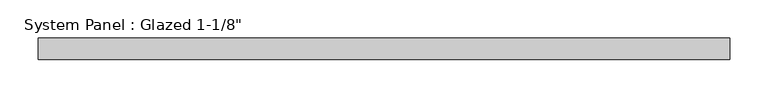
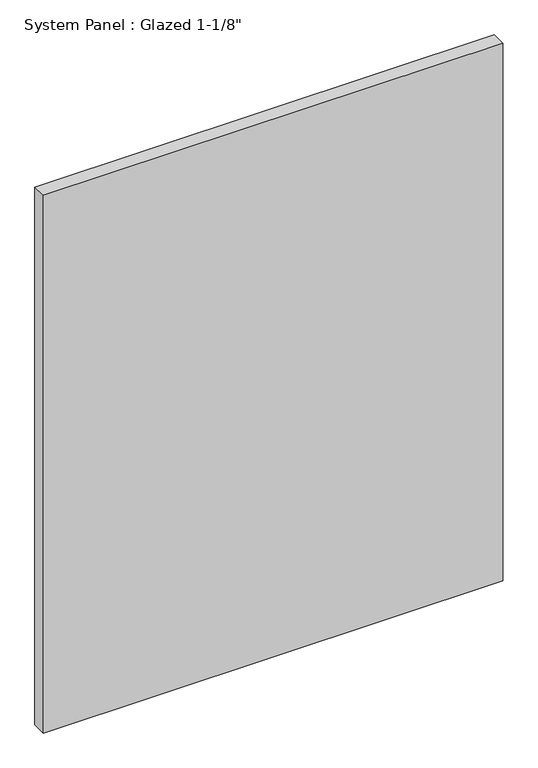
"""IFC4 building model written with IfcOpenShell, lengths in millimetres: plate geometry."""

import ifcopenshell
import ifcopenshell.guid

model = None  # the IFC model being written
_history = None  # IfcOwnerHistory: only IFC2X3 demands one
_inside = {}  # id of a spatial element -> (the spatial element, [elements in it])
_under = {}  # id of a project, library or spatial element -> (it, [spatial elements below it])
_declared = {}  # id of a project -> (the project, [libraries it declares])
_typed = {}  # id of a type object -> (the type object, [elements of that type])
_made_of = {}  # id of a material, layer set ... -> (it, [elements and type objects made of it])


def new_model(schema):
    """Start an empty IFC model of exactly this schema.

    Asked for "IFC4X3", IfcOpenShell would pick the latest addendum, in which some entities
    have other attributes; the version numbers below select the first issue.
    IFC2X3 requires an IfcOwnerHistory on every rooted entity: one is made here for all.
    """
    global model, _history
    if schema == "IFC4X3":
        model = ifcopenshell.file(schema_version=(4, 3, 0, 0))
    else:
        model = ifcopenshell.file(schema=schema)
    _inside.clear()
    _under.clear()
    _declared.clear()
    _typed.clear()
    _made_of.clear()
    _history = None
    if model.schema == "IFC2X3":
        org = make("IfcOrganization", Name="unknown")
        user = make(
            "IfcPersonAndOrganization",
            ThePerson=make("IfcPerson", FamilyName="unknown"),
            TheOrganization=org,
        )
        app = make(
            "IfcApplication",
            ApplicationDeveloper=org,
            Version="unknown",
            ApplicationFullName="unknown",
            ApplicationIdentifier="unknown",
        )
        _history = make(
            "IfcOwnerHistory",
            OwningUser=user,
            OwningApplication=app,
            ChangeAction="ADDED",
            CreationDate=0,
        )
    return model


def make(cls, **values):
    """One entity of the class cls with the attributes given. An attribute that is None is left unset."""
    return model.create_entity(
        cls, **{name: value for name, value in values.items() if value is not None}
    )


def rooted(cls, **values):
    """An entity with a GlobalId (a new one), such as an element, a storey or a relation."""
    return make(cls, GlobalId=ifcopenshell.guid.new(), OwnerHistory=_history, **values)


def si_unit(unit_type, name, prefix=None):
    """IfcSIUnit, for example si_unit("LENGTHUNIT", "METRE", prefix="MILLI")."""
    return make("IfcSIUnit", UnitType=unit_type, Prefix=prefix, Name=name)


def assignment(units):
    """IfcUnitAssignment: the units of a project."""
    return None if units is None else make("IfcUnitAssignment", Units=units)


def point(xyz):
    """IfcCartesianPoint."""
    return None if xyz is None else make("IfcCartesianPoint", Coordinates=xyz)


def direction(xyz):
    """IfcDirection."""
    return None if xyz is None else make("IfcDirection", DirectionRatios=xyz)


def frame(location, z_axis=None, x_axis=None):
    """IfcAxis2Placement3D, a coordinate frame: its origin and axes. An axis left out is left unset."""
    return make(
        "IfcAxis2Placement3D",
        Location=point(location),
        Axis=direction(z_axis),
        RefDirection=direction(x_axis),
    )


def origin():
    """The frame at (0, 0, 0) with its axes left unset."""
    return frame((0.0, 0.0, 0.0))


def origin_with_axes():
    """The frame at (0, 0, 0) with the z axis (0, 0, 1) and the x axis (1, 0, 0) written out."""
    return frame((0.0, 0.0, 0.0), z_axis=(0.0, 0.0, 1.0), x_axis=(1.0, 0.0, 0.0))


def place(relative_to, where):
    """IfcLocalPlacement: puts the frame where relative to a parent placement (None: the world)."""
    return make(
        "IfcLocalPlacement", PlacementRelTo=relative_to, RelativePlacement=where
    )


def context(
    kind, dimensions, precision=None, world=None, true_north=None, identifier=None
):
    """IfcGeometricRepresentationContext, for example the 3D "Model" context."""
    return make(
        "IfcGeometricRepresentationContext",
        ContextIdentifier=identifier,
        ContextType=kind,
        CoordinateSpaceDimension=dimensions,
        Precision=precision,
        WorldCoordinateSystem=world,
        TrueNorth=true_north,
    )


def project(units=None, contexts=None):
    """IfcProject with its units and contexts."""
    return rooted(
        "IfcProject",
        Name="project",
        RepresentationContexts=contexts,
        UnitsInContext=assignment(units),
    )


def spatial(cls, under=None, at=None, **own):
    """A site, building, storey or space (cls), placed at a placement, below another one or the project."""
    s = rooted(cls, ObjectPlacement=at, **own)
    if under is not None:
        _under.setdefault(under.id(), (under, []))[1].append(s)
    return s


def polyline(points):
    """IfcPolyline through the points."""
    return make("IfcPolyline", Points=[point(p) for p in points])


def outline(outer, holes=None, kind="AREA"):
    """IfcArbitraryClosedProfileDef: a profile drawn as a closed curve; with holes, ...WithVoids."""
    if holes is None:
        return make("IfcArbitraryClosedProfileDef", ProfileType=kind, OuterCurve=outer)
    return make(
        "IfcArbitraryProfileDefWithVoids",
        ProfileType=kind,
        OuterCurve=outer,
        InnerCurves=holes,
    )


def extrude(swept, where, along, depth):
    """IfcExtrudedAreaSolid: the profile swept, set in the frame where, extruded along a direction by depth."""
    return make(
        "IfcExtrudedAreaSolid",
        SweptArea=swept,
        Position=where,
        ExtrudedDirection=direction(along),
        Depth=depth,
    )


def shape(context_of_items, identifier, shape_type, items):
    """IfcShapeRepresentation: the items that make up one representation, for example the "Body"."""
    return make(
        "IfcShapeRepresentation",
        ContextOfItems=context_of_items,
        RepresentationIdentifier=identifier,
        RepresentationType=shape_type,
        Items=items,
    )


def source(mapping_origin, context_of_items, identifier, shape_type, items):
    """IfcRepresentationMap: a shape defined once, which mapped items show again and again."""
    return make(
        "IfcRepresentationMap",
        MappingOrigin=mapping_origin,
        MappedRepresentation=shape(context_of_items, identifier, shape_type, items),
    )


def transform(
    local_origin,
    x_axis=None,
    y_axis=None,
    z_axis=None,
    scale=None,
    scale2=None,
    scale3=None,
    uniform=True,
):
    """IfcCartesianTransformationOperator3D, or its non-uniform kind. x_axis, y_axis, z_axis: its Axis1, 2, 3."""
    if uniform:
        return make(
            "IfcCartesianTransformationOperator3D",
            Axis1=direction(x_axis),
            Axis2=direction(y_axis),
            LocalOrigin=point(local_origin),
            Scale=scale,
            Axis3=direction(z_axis),
        )
    return make(
        "IfcCartesianTransformationOperator3DnonUniform",
        Axis1=direction(x_axis),
        Axis2=direction(y_axis),
        LocalOrigin=point(local_origin),
        Scale=scale,
        Axis3=direction(z_axis),
        Scale2=scale2,
        Scale3=scale3,
    )


def mapped(mapping_source, mapping_target):
    """IfcMappedItem: shows the shape of a source again, moved by a transform."""
    return make(
        "IfcMappedItem", MappingSource=mapping_source, MappingTarget=mapping_target
    )


def made_of(thing, what):
    """Note that an element or type object is made of a material, layer set ...; save() writes the relation."""
    if what is not None:
        _made_of.setdefault(what.id(), (what, []))[1].append(thing)
    return thing


def element(
    cls,
    number,
    at=None,
    inside=None,
    cuts=None,
    type_object=None,
    material=None,
    context=None,
    identifier="Body",
    shape_type=None,
    held_by="IfcProductDefinitionShape",
    body=None,
    shapes=None,
    **own,
):
    """One element of the class cls, such as IfcWall. Its Tag is "e" and its number.

    at: its placement. inside: the storey or other place that contains it. cuts: it is an
    opening in that element (IfcRelVoidsElement). A single representation is given by context,
    identifier, shape_type and body (its items); several are given by shapes. held_by: the class
    of the entity that holds the representations. save() writes the other relations.
    """
    e = rooted(cls, Tag="e%d" % number, ObjectPlacement=at, **own)
    if body is not None:
        shapes = [shape(context, identifier, shape_type, body)]
    if shapes is not None:
        e.Representation = make(held_by, Representations=shapes)
    if inside is not None:
        _inside.setdefault(inside.id(), (inside, []))[1].append(e)
    if cuts is not None:
        rooted(
            "IfcRelVoidsElement", RelatingBuildingElement=cuts, RelatedOpeningElement=e
        )
    if type_object is not None:
        _typed.setdefault(type_object.id(), (type_object, []))[1].append(e)
    return made_of(e, material)


def aggregate(whole, parts):
    """IfcRelAggregates: a whole, such as a stair, and the parts it consists of."""
    return rooted("IfcRelAggregates", RelatingObject=whole, RelatedObjects=parts)


def save(model, path):
    """Write the relations noted so far, then the file.

    IfcRelAggregates (storeys below a building ...), IfcRelContainedInSpatialStructure (elements
    in a storey), IfcRelDefinesByType, IfcRelAssociatesMaterial and IfcRelDeclares: one each for
    every whole, place, type object, material and project.
    """
    for whole, parts in _under.values():
        aggregate(whole, parts)
    for where, things in _inside.values():
        rooted(
            "IfcRelContainedInSpatialStructure",
            RelatedElements=things,
            RelatingStructure=where,
        )
    for kind, things in _typed.values():
        rooted("IfcRelDefinesByType", RelatedObjects=things, RelatingType=kind)
    for what, things in _made_of.values():
        rooted("IfcRelAssociatesMaterial", RelatedObjects=things, RelatingMaterial=what)
    for by, libraries in _declared.values():
        rooted("IfcRelDeclares", RelatingContext=by, RelatedDefinitions=libraries)
    model.write(path)


def plate_8dc3f16d(model_context):
    return source(origin(), model_context, "Body", "SweptSolid", [
        extrude(outline(polyline([(454.025, -14.2875), (-454.025, -14.2875), (-454.025, 14.2875), (454.025, 14.2875), (454.025, -14.2875)])), origin_with_axes(), (0.0, 0.0, 1.0), 1123.95),
    ])


if __name__ == "__main__":
    model = new_model("IFC4")
    model_context = context("Model", 3, world=origin())
    ifc_project = project(units=[si_unit("LENGTHUNIT", "METRE", prefix="MILLI")], contexts=[model_context])
    site = spatial("IfcSite", under=ifc_project)
    building = spatial("IfcBuilding", under=site)
    placement = place(None, origin())
    plate_shape = plate_8dc3f16d(model_context)
    element("IfcPlate", 1, ObjectType="System Panel : Glazed 1-1/8\"", at=placement, inside=building, context=model_context, shape_type="MappedRepresentation", body=[
        mapped(plate_shape, transform((0.0, 0.0, 0.0), x_axis=(1.0, 0.0, 0.0), y_axis=(0.0, 1.0, 0.0), z_axis=(0.0, 0.0, 1.0))),
    ])
    save(model, "model.ifc")
